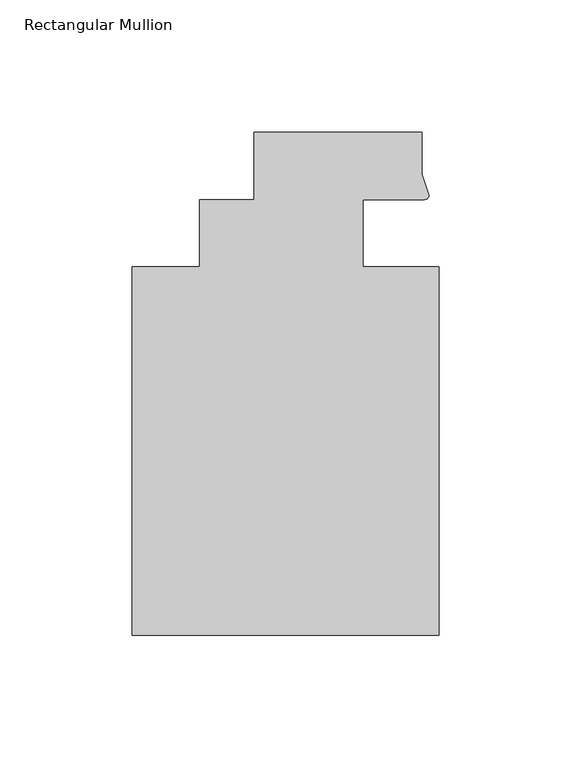
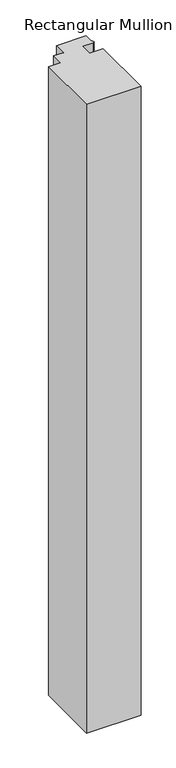
"""IFC4 building model written with IfcOpenShell, lengths in millimetres: member geometry, Rectangular Mullion."""

from ifc_helpers import new_model, si_unit, point, frame, frame_2d, origin, place, context, project, spatial, polyline, circle_curve, trimmed, segment, composite_curve, outline, extrude, source, transform, mapped, element, save


def rectangular_mullion_4551b519(model_context):
    return source(origin(), model_context, "Body", "SweptSolid", [
        extrude(outline(composite_curve([segment(polyline([(48.2997293, 12.7000881), (25.0401592, 12.7000881), (25.0401592, -12.7), (53.615046, -12.7), (53.615046, -151.892), (-62.2957636, -151.892), (-62.2957636, -12.7), (-36.8958768, -12.7), (-36.8958768, 12.7), (-16.234954, 12.7), (-16.234954, 38.1), (47.265046, 38.1), (47.265046, 22.2250977), (49.9159011, 14.2884292)]), True, "CONTINUOUS"), segment(trimmed(circle_curve(frame_2d((48.2162832, 14.401412)), 1.703369), [point((49.9159011, 14.2884292))], [point((48.2997293, 12.7000881))], False, "CARTESIAN"), True, "CONTINUOUS")], self_intersect=False)), frame((0.0, 0.0, -1411.8784605), z_axis=(0.0, 0.0, 1.0), x_axis=(1.0, 0.0, 0.0)), (0.0, 0.0, 1.0), 1411.8784605),
    ])


if __name__ == "__main__":
    model = new_model("IFC4")
    model_context = context("Model", 3, world=origin())
    ifc_project = project(units=[si_unit("LENGTHUNIT", "METRE", prefix="MILLI")], contexts=[model_context])
    site = spatial("IfcSite", under=ifc_project)
    building = spatial("IfcBuilding", under=site)
    placement = place(None, origin())
    rectangular_mullion_shape = rectangular_mullion_4551b519(model_context)
    element("IfcMember", 1, ObjectType="Rectangular Mullion", at=placement, inside=building, context=model_context, shape_type="MappedRepresentation", body=[
        mapped(rectangular_mullion_shape, transform((0.0, 0.0, 0.0), x_axis=(1.0, 0.0, 0.0), y_axis=(0.0, 1.0, 0.0), z_axis=(0.0, 0.0, 1.0))),
    ])
    save(model, "model.ifc")
